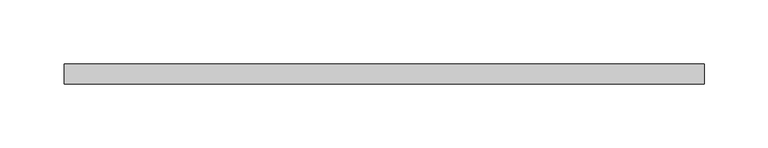
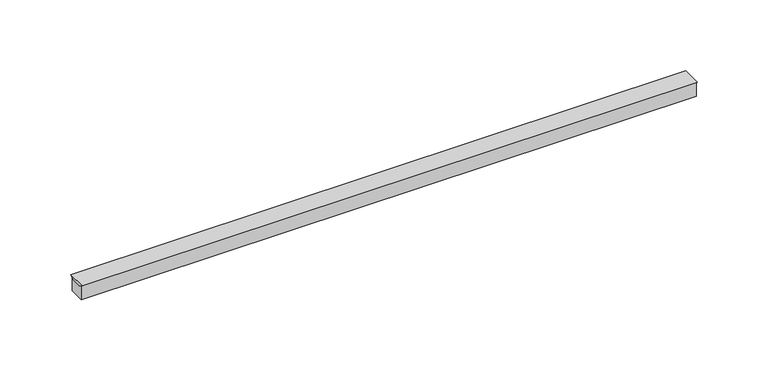
"""IFC4 building model written with IfcOpenShell, lengths in millimetres: light fixture geometry."""

from ifc_helpers import new_model, si_unit, frame, origin, place, context, project, spatial, polyline, outline, extrude, source, transform, mapped, element, save


def light_fixture_4064ae1d(model_context):
    return source(origin(), model_context, "Body", "SweptSolid", [
        extrude(outline(polyline([(-4.0052359, 10.5052359), (-7.8730995, 13.078125), (7.9375817, 13.078125), (4.0697181, 10.5052359), (-4.0052359, 10.5052359)])), frame((-250.0, 0.0, 0.0), z_axis=(1.0, 0.0, 0.0), x_axis=(0.0, 1.0, 0.0)), (0.0, 0.0, 1.0), 500.0),
        extrude(outline(polyline([(-6.5, 0.0), (-6.5, 12.1647441), (-4.0052359, 10.5052359), (4.0442984, 10.5052359), (6.5, 12.1387599), (6.5, 0.0), (-6.5, 0.0)])), frame((-250.0, 0.0, 0.0), z_axis=(1.0, 0.0, 0.0), x_axis=(0.0, 1.0, 0.0)), (0.0, 0.0, 1.0), 500.0),
    ])


if __name__ == "__main__":
    model = new_model("IFC4")
    model_context = context("Model", 3, world=origin())
    ifc_project = project(units=[si_unit("LENGTHUNIT", "METRE", prefix="MILLI")], contexts=[model_context])
    site = spatial("IfcSite", under=ifc_project)
    building = spatial("IfcBuilding", under=site)
    placement = place(None, origin())
    light_fixture_shape = light_fixture_4064ae1d(model_context)
    element("IfcLightFixture", 1, at=placement, inside=building, context=model_context, shape_type="MappedRepresentation", body=[
        mapped(light_fixture_shape, transform((0.0, 0.0, 0.0), x_axis=(1.0, 0.0, 0.0), y_axis=(0.0, 1.0, 0.0), z_axis=(0.0, 0.0, 1.0))),
    ])
    save(model, "model.ifc")
